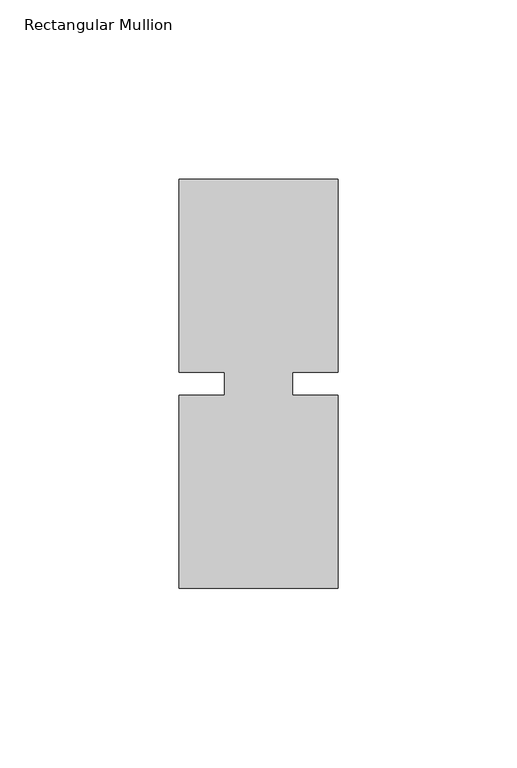
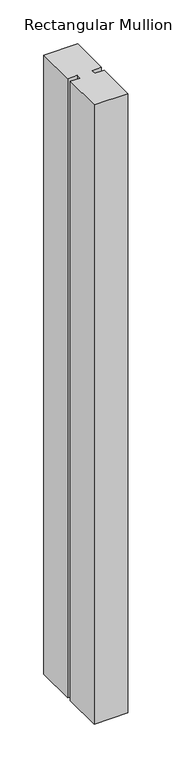
"""IFC4 building model written with IfcOpenShell, lengths in millimetres: member geometry, Rectangular Mullion."""

from ifc_helpers import new_model, si_unit, frame, origin, place, context, project, spatial, polyline, outline, extrude, source, transform, mapped, element, save


def rectangular_mullion_7bf6bcfd(model_context):
    return source(origin(), model_context, "Body", "SweptSolid", [
        extrude(outline(polyline([(26.5594027, 57.15), (26.5594027, 3.175), (13.8576322, 3.175), (13.8576322, -3.175), (26.5594027, -3.175), (26.5594027, -57.15), (-17.8905973, -57.15), (-17.8905973, -3.175), (-5.1905973, -3.175), (-5.1905973, 3.175), (-17.8905973, 3.175), (-17.8905973, 57.15), (26.5594027, 57.15)])), frame((0.0, 0.0, -860.425), z_axis=(0.0, 0.0, 1.0), x_axis=(1.0, 0.0, 0.0)), (0.0, 0.0, 1.0), 860.425),
    ])


if __name__ == "__main__":
    model = new_model("IFC4")
    model_context = context("Model", 3, world=origin())
    ifc_project = project(units=[si_unit("LENGTHUNIT", "METRE", prefix="MILLI")], contexts=[model_context])
    site = spatial("IfcSite", under=ifc_project)
    building = spatial("IfcBuilding", under=site)
    placement = place(None, origin())
    rectangular_mullion_shape = rectangular_mullion_7bf6bcfd(model_context)
    element("IfcMember", 1, ObjectType="Rectangular Mullion", at=placement, inside=building, context=model_context, shape_type="MappedRepresentation", body=[
        mapped(rectangular_mullion_shape, transform((0.0, 0.0, 0.0), x_axis=(1.0, 0.0, 0.0), y_axis=(0.0, 1.0, 0.0), z_axis=(0.0, 0.0, 1.0))),
    ])
    save(model, "model.ifc")
